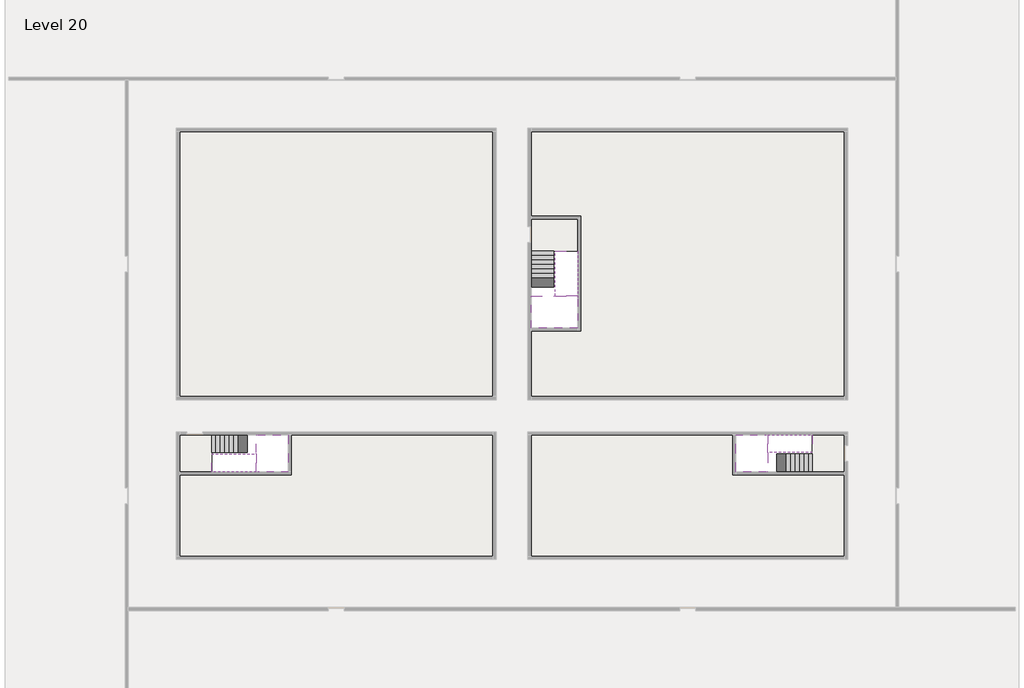
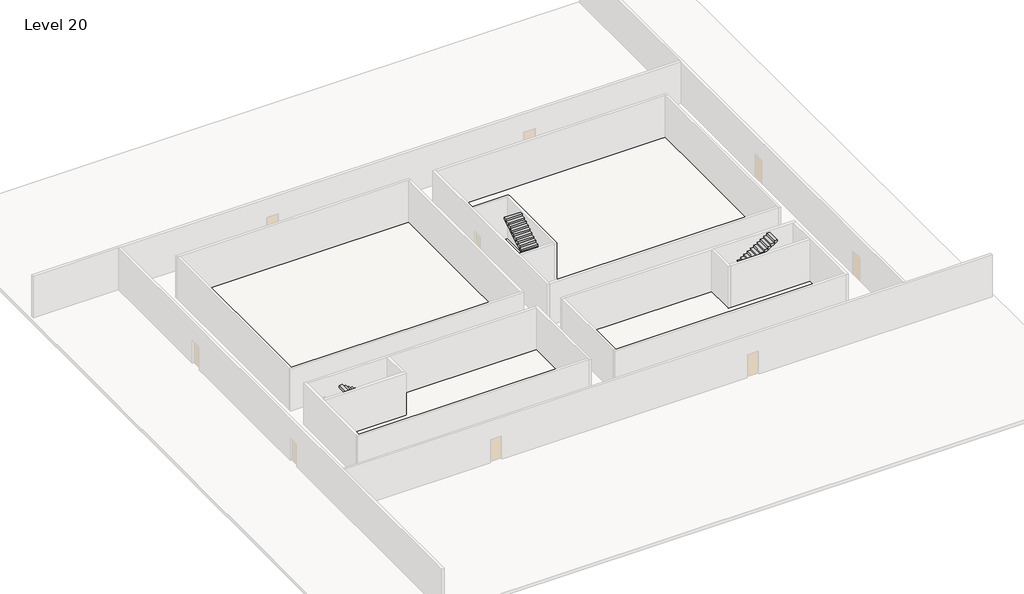
# One storey, part 2 of 2: 6 stair flights, 5 slabs.
"""IFC4 building model written with IfcOpenShell, lengths in millimetres."""

from ifc_helpers import new_model, si_unit, frame, origin, place, context, project, spatial, polyline, outline, extrude, faceted_brep, element, save

model = new_model("IFC4")

# Units and contexts
model_context = context("Model", 3, world=origin())
ifc_project = project(units=[si_unit("LENGTHUNIT", "METRE", prefix="MILLI")], contexts=[model_context])

# Site, building, storey
site = spatial("IfcSite", under=ifc_project)
building = spatial("IfcBuilding", under=site)
storey = spatial("IfcBuildingStorey", under=building, Name="Level 20", Elevation=72200.0)

# Slabs
placement = place(None, origin())
element("IfcSlab", 1, at=placement, inside=storey, context=model_context, shape_type="Brep", body=[
    faceted_brep([(8190.1058784, -42918.09644, 74100.0), (8190.1058784, -44018.09644, 74100.0), (8190.1058784, -44118.09644, 74100.0), (8190.1058784, -45218.09644, 74100.0), (8390.7194421, -45218.09644, 74100.0), (10190.1058784, -45218.09644, 74100.0), (10190.1058784, -42918.09644, 74100.0), (8269.4923146, -42918.09644, 74100.0), (8190.1058784, -42918.09644, 73927.2727273), (8190.1058784, -42918.09644, 73751.0278478), (8190.1058784, -44018.09644, 73751.0278478), (8190.1058784, -44018.09644, 73800.0), (8190.1058784, -44118.09644, 73800.0), (8190.1058784, -44118.09644, 73923.7551205), (8190.1058784, -45218.09644, 73923.7551205), (8390.7194421, -45218.09644, 73800.0), (10190.1058784, -45218.09644, 73800.0), (10190.1058784, -42918.09644, 73800.0), (8269.4923146, -42918.09644, 73800.0), (8390.7194421, -44118.09644, 73800.0), (8269.4923146, -44018.09644, 73800.0)], [[[0, 1, 2, 3, 4, 5, 6, 7]], [[1, 0, 8, 9, 10, 11]], [[2, 1, 11, 12, 13]], [[3, 2, 13, 14]], [[3, 14, 15, 16, 5, 4]], [[6, 5, 16, 17]], [[9, 8, 0, 7, 6, 17, 18]], [[19, 12, 11, 20, 18, 17, 16, 15]], [[12, 19, 13]], [[18, 20, 10, 9]], [[20, 11, 10]], [[19, 15, 14, 13]]]),
])
element("IfcSlab", 2, at=placement, inside=storey, context=model_context, shape_type="Brep", body=[
    faceted_brep([(40190.1058784, -45218.09644, 74100.0), (40190.1058784, -44118.09644, 74100.0), (40190.1058784, -44018.09644, 74100.0), (40190.1058784, -42918.09644, 74100.0), (39989.4923146, -42918.09644, 74100.0), (38190.1058784, -42918.09644, 74100.0), (38190.1058784, -45218.09644, 74100.0), (40110.7194421, -45218.09644, 74100.0), (40190.1058784, -45218.09644, 73927.2727273), (40190.1058784, -45218.09644, 73751.0278478), (40190.1058784, -44118.09644, 73751.0278478), (40190.1058784, -44118.09644, 73800.0), (40190.1058784, -44018.09644, 73800.0), (40190.1058784, -44018.09644, 73923.7551205), (40190.1058784, -42918.09644, 73923.7551205), (39989.4923146, -42918.09644, 73800.0), (38190.1058784, -42918.09644, 73800.0), (38190.1058784, -45218.09644, 73800.0), (40110.7194421, -45218.09644, 73800.0), (39989.4923146, -44018.09644, 73800.0), (40110.7194421, -44118.09644, 73800.0)], [[[0, 1, 2, 3, 4, 5, 6, 7]], [[1, 0, 8, 9, 10, 11]], [[2, 1, 11, 12, 13]], [[3, 2, 13, 14]], [[3, 14, 15, 16, 5, 4]], [[6, 5, 16, 17]], [[9, 8, 0, 7, 6, 17, 18]], [[19, 12, 11, 20, 18, 17, 16, 15]], [[12, 19, 13]], [[18, 20, 10, 9]], [[20, 11, 10]], [[19, 15, 14, 13]]]),
])
element("IfcSlab", 3, at=placement, inside=storey, context=model_context, shape_type="Brep", body=[
    faceted_brep([(26790.1058784, -34218.09644, 74100.0), (25390.1058784, -34218.09644, 74100.0), (25390.1058784, -34297.4828763, 74100.0), (25390.1058784, -36218.09644, 74100.0), (28290.1058784, -36218.09644, 74100.0), (28290.1058784, -34418.7100038, 74100.0), (28290.1058784, -34218.09644, 74100.0), (26890.1058784, -34218.09644, 74100.0), (26790.1058784, -34218.09644, 73800.0), (26790.1058784, -34218.09644, 73751.0278478), (25390.1058784, -34218.09644, 73751.0278478), (25390.1058784, -34218.09644, 73927.2727273), (25390.1058784, -34297.4828763, 73800.0), (25390.1058784, -36218.09644, 73800.0), (28290.1058784, -36218.09644, 73800.0), (28290.1058784, -34418.7100038, 73800.0), (28290.1058784, -34218.09644, 73923.7551205), (26890.1058784, -34218.09644, 73923.7551205), (26890.1058784, -34218.09644, 73800.0), (26890.1058784, -34418.7100038, 73800.0), (26790.1058784, -34297.4828763, 73800.0)], [[[0, 1, 2, 3, 4, 5, 6, 7]], [[1, 0, 8, 9, 10, 11]], [[1, 11, 10, 12, 13, 3, 2]], [[4, 3, 13, 14]], [[4, 14, 15, 16, 6, 5]], [[7, 6, 16, 17]], [[0, 7, 17, 18, 8]], [[18, 19, 15, 14, 13, 12, 20, 8]], [[19, 18, 17]], [[20, 12, 10, 9]], [[8, 20, 9]], [[15, 19, 17, 16]]]),
])
element("IfcSlab", 4, at=placement, inside=storey, context=model_context, shape_type="SweptSolid", body=[
    extrude(outline(polyline([(22990.1058784, -23918.09644), (22990.1058784, -40518.09644), (3390.1058784, -40518.09644), (3390.1058784, -23918.09644), (22990.1058784, -23918.09644)])), frame((0.0, 0.0, 71900.0), z_axis=(0.0, 0.0, 1.0), x_axis=(1.0, 0.0, 0.0)), (0.0, 0.0, 1.0), 300.0),
    extrude(outline(polyline([(44990.1058784, -23918.09644), (44990.1058784, -40518.09644), (25390.1058784, -40518.09644), (25390.1058784, -36418.09644), (28490.1058784, -36418.09644), (28490.1058784, -29218.09644), (25390.1058784, -29218.09644), (25390.1058784, -23918.09644), (44990.1058784, -23918.09644)])), frame((0.0, 0.0, 71900.0), z_axis=(0.0, 0.0, 1.0), x_axis=(1.0, 0.0, 0.0)), (0.0, 0.0, 1.0), 300.0),
    extrude(outline(polyline([(22990.1058784, -42918.09644), (22990.1058784, -50518.09644), (3390.1058784, -50518.09644), (3390.1058784, -45418.09644), (10390.1058784, -45418.09644), (10390.1058784, -42918.09644), (22990.1058784, -42918.09644)])), frame((0.0, 0.0, 71900.0), z_axis=(0.0, 0.0, 1.0), x_axis=(1.0, 0.0, 0.0)), (0.0, 0.0, 1.0), 300.0),
    extrude(outline(polyline([(37990.1058784, -42918.09644), (37990.1058784, -45418.09644), (44990.1058784, -45418.09644), (44990.1058784, -50518.09644), (25390.1058784, -50518.09644), (25390.1058784, -42918.09644), (37990.1058784, -42918.09644)])), frame((0.0, 0.0, 71900.0), z_axis=(0.0, 0.0, 1.0), x_axis=(1.0, 0.0, 0.0)), (0.0, 0.0, 1.0), 300.0),
])
element("IfcSlab", 5, at=placement, inside=storey, context=model_context, shape_type="SweptSolid", body=[
    extrude(outline(polyline([(44990.1058784, -42918.09644), (44990.1058784, -45218.09644), (42990.1058784, -45218.09644), (42990.1058784, -42918.09644), (44990.1058784, -42918.09644)])), frame((0.0, 0.0, 71900.0), z_axis=(0.0, 0.0, 1.0), x_axis=(1.0, 0.0, 0.0)), (0.0, 0.0, 1.0), 300.0),
    extrude(outline(polyline([(5390.1058784, -42918.09644), (5390.1058784, -45218.09644), (3390.1058784, -45218.09644), (3390.1058784, -42918.09644), (5390.1058784, -42918.09644)])), frame((0.0, 0.0, 71900.0), z_axis=(0.0, 0.0, 1.0), x_axis=(1.0, 0.0, 0.0)), (0.0, 0.0, 1.0), 300.0),
    extrude(outline(polyline([(28290.1058784, -29418.09644), (28290.1058784, -31418.09644), (25390.1058784, -31418.09644), (25390.1058784, -29418.09644), (28290.1058784, -29418.09644)])), frame((0.0, 0.0, 71900.0), z_axis=(0.0, 0.0, 1.0), x_axis=(1.0, 0.0, 0.0)), (0.0, 0.0, 1.0), 300.0),
])

# Stair flights
element("IfcStairFlight", 6, at=placement, inside=storey, context=model_context, shape_type="Brep", body=[
    faceted_brep([(5670.1058784, -42918.09644, 72372.7272727), (5390.1058784, -42918.09644, 72372.7272727), (5390.1058784, -44018.09644, 72372.7272727), (5670.1058784, -44018.09644, 72372.7272727), (5670.1058784, -42918.09644, 72200.0), (5390.1058784, -42918.09644, 72200.0), (5390.1058784, -44018.09644, 72200.0), (5670.1058784, -44018.09644, 72200.0), (5950.1058784, -42918.09644, 72545.4545455), (5670.1058784, -42918.09644, 72545.4545455), (5670.1058784, -44018.09644, 72545.4545455), (5950.1058784, -44018.09644, 72545.4545455), (5950.1058784, -42918.09644, 72369.209666), (5675.8081041, -42918.09644, 72200.0), (5675.8081041, -44018.09644, 72200.0), (5950.1058784, -44018.09644, 72369.209666), (6230.1058784, -42918.09644, 72718.1818182), (5950.1058784, -42918.09644, 72718.1818182), (5950.1058784, -44018.09644, 72718.1818182), (6230.1058784, -44018.09644, 72718.1818182), (6230.1058784, -42918.09644, 72541.9369387), (6230.1058784, -44018.09644, 72541.9369387), (6510.1058784, -42918.09644, 72890.9090909), (6230.1058784, -42918.09644, 72890.9090909), (6230.1058784, -44018.09644, 72890.9090909), (6510.1058784, -44018.09644, 72890.9090909), (6510.1058784, -42918.09644, 72714.6642114), (6510.1058784, -44018.09644, 72714.6642114), (6790.1058784, -42918.09644, 73063.6363636), (6510.1058784, -42918.09644, 73063.6363636), (6510.1058784, -44018.09644, 73063.6363636), (6790.1058784, -44018.09644, 73063.6363636), (6790.1058784, -42918.09644, 72887.3914841), (6790.1058784, -44018.09644, 72887.3914841), (7070.1058784, -42918.09644, 73236.3636364), (6790.1058784, -42918.09644, 73236.3636364), (6790.1058784, -44018.09644, 73236.3636364), (7070.1058784, -44018.09644, 73236.3636364), (7070.1058784, -42918.09644, 73060.1187569), (7070.1058784, -44018.09644, 73060.1187569), (7350.1058784, -42918.09644, 73409.0909091), (7070.1058784, -42918.09644, 73409.0909091), (7070.1058784, -44018.09644, 73409.0909091), (7350.1058784, -44018.09644, 73409.0909091), (7350.1058784, -42918.09644, 73232.8460296), (7350.1058784, -44018.09644, 73232.8460296), (7630.1058784, -42918.09644, 73581.8181818), (7350.1058784, -42918.09644, 73581.8181818), (7350.1058784, -44018.09644, 73581.8181818), (7630.1058784, -44018.09644, 73581.8181818), (7630.1058784, -42918.09644, 73405.5733023), (7630.1058784, -44018.09644, 73405.5733023), (7910.1058784, -42918.09644, 73754.5454545), (7630.1058784, -42918.09644, 73754.5454545), (7630.1058784, -44018.09644, 73754.5454545), (7910.1058784, -44018.09644, 73754.5454545), (7910.1058784, -42918.09644, 73578.3005751), (7910.1058784, -44018.09644, 73578.3005751), (8190.1058784, -42918.09644, 73927.2727273), (7910.1058784, -42918.09644, 73927.2727273), (7910.1058784, -44018.09644, 73927.2727273), (8190.1058784, -44018.09644, 73927.2727273), (8190.1058784, -42918.09644, 73751.0278478), (8190.1058784, -44018.09644, 73751.0278478), (8190.1058784, -44018.09644, 73800.0)], [[[0, 1, 2, 3]], [[1, 0, 4, 5]], [[2, 1, 5, 6]], [[3, 2, 6, 7]], [[8, 9, 10, 11]], [[4, 0, 9, 8, 12, 13]], [[0, 3, 10, 9]], [[3, 7, 14, 15, 11, 10]], [[16, 17, 18, 19]], [[17, 16, 20, 12, 8]], [[8, 11, 18, 17]], [[19, 18, 11, 15, 21]], [[22, 23, 24, 25]], [[23, 22, 26, 20, 16]], [[16, 19, 24, 23]], [[25, 24, 19, 21, 27]], [[28, 29, 30, 31]], [[29, 28, 32, 26, 22]], [[22, 25, 30, 29]], [[31, 30, 25, 27, 33]], [[34, 35, 36, 37]], [[35, 34, 38, 32, 28]], [[28, 31, 36, 35]], [[37, 36, 31, 33, 39]], [[40, 41, 42, 43]], [[41, 40, 44, 38, 34]], [[34, 37, 42, 41]], [[43, 42, 37, 39, 45]], [[46, 47, 48, 49]], [[47, 46, 50, 44, 40]], [[40, 43, 48, 47]], [[49, 48, 43, 45, 51]], [[52, 53, 54, 55]], [[53, 52, 56, 50, 46]], [[46, 49, 54, 53]], [[55, 54, 49, 51, 57]], [[58, 59, 60, 61]], [[59, 58, 62, 56, 52]], [[52, 55, 60, 59]], [[61, 60, 55, 57, 63, 64]], [[58, 61, 64, 63, 62]], [[5, 4, 13, 14, 7, 6]], [[14, 13, 12, 20, 26, 32, 38, 44, 50, 56, 62, 63, 57, 51, 45, 39, 33, 27, 21, 15]]]),
])
element("IfcStairFlight", 7, at=placement, inside=storey, context=model_context, shape_type="Brep", body=[
    faceted_brep([(7910.1058784, -45218.09644, 74272.7272727), (8190.1058784, -45218.09644, 74272.7272727), (8190.1058784, -44118.09644, 74272.7272727), (7910.1058784, -44118.09644, 74272.7272727), (7910.1058784, -45218.09644, 74096.4823932), (8190.1058784, -45218.09644, 73923.7551205), (8190.1058784, -45218.09644, 74100.0), (8190.1058784, -44118.09644, 73923.7551205), (7910.1058784, -44118.09644, 74096.4823932), (7630.1058784, -45218.09644, 74445.4545455), (7910.1058784, -45218.09644, 74445.4545455), (7910.1058784, -44118.09644, 74445.4545455), (7630.1058784, -44118.09644, 74445.4545455), (7630.1058784, -45218.09644, 74269.209666), (7630.1058784, -44118.09644, 74269.209666), (7350.1058784, -45218.09644, 74618.1818182), (7630.1058784, -45218.09644, 74618.1818182), (7630.1058784, -44118.09644, 74618.1818182), (7350.1058784, -44118.09644, 74618.1818182), (7350.1058784, -45218.09644, 74441.9369387), (7350.1058784, -44118.09644, 74441.9369387), (7070.1058784, -45218.09644, 74790.9090909), (7350.1058784, -45218.09644, 74790.9090909), (7350.1058784, -44118.09644, 74790.9090909), (7070.1058784, -44118.09644, 74790.9090909), (7070.1058784, -45218.09644, 74614.6642114), (7070.1058784, -44118.09644, 74614.6642114), (6790.1058784, -45218.09644, 74963.6363636), (7070.1058784, -45218.09644, 74963.6363636), (7070.1058784, -44118.09644, 74963.6363636), (6790.1058784, -44118.09644, 74963.6363636), (6790.1058784, -45218.09644, 74787.3914841), (6790.1058784, -44118.09644, 74787.3914841), (6510.1058784, -45218.09644, 75136.3636364), (6790.1058784, -45218.09644, 75136.3636364), (6790.1058784, -44118.09644, 75136.3636364), (6510.1058784, -44118.09644, 75136.3636364), (6510.1058784, -45218.09644, 74960.1187569), (6510.1058784, -44118.09644, 74960.1187569), (6230.1058784, -45218.09644, 75309.0909091), (6510.1058784, -45218.09644, 75309.0909091), (6510.1058784, -44118.09644, 75309.0909091), (6230.1058784, -44118.09644, 75309.0909091), (6230.1058784, -45218.09644, 75132.8460296), (6230.1058784, -44118.09644, 75132.8460296), (5950.1058784, -45218.09644, 75481.8181818), (6230.1058784, -45218.09644, 75481.8181818), (6230.1058784, -44118.09644, 75481.8181818), (5950.1058784, -44118.09644, 75481.8181818), (5950.1058784, -45218.09644, 75305.5733023), (5950.1058784, -44118.09644, 75305.5733023), (5670.1058784, -45218.09644, 75654.5454545), (5950.1058784, -45218.09644, 75654.5454545), (5950.1058784, -44118.09644, 75654.5454545), (5670.1058784, -44118.09644, 75654.5454545), (5670.1058784, -45218.09644, 75478.3005751), (5670.1058784, -44118.09644, 75478.3005751), (5390.1058784, -45218.09644, 75827.2727273), (5670.1058784, -45218.09644, 75827.2727273), (5670.1058784, -44118.09644, 75827.2727273), (5390.1058784, -44118.09644, 75827.2727273), (5390.1058784, -45218.09644, 75651.0278478), (5390.1058784, -44118.09644, 75651.0278478)], [[[0, 1, 2, 3]], [[1, 0, 4, 5, 6]], [[2, 1, 6, 5, 7]], [[3, 2, 7, 8]], [[9, 10, 11, 12]], [[10, 9, 13, 4, 0]], [[11, 10, 0, 3]], [[12, 11, 3, 8, 14]], [[15, 16, 17, 18]], [[16, 15, 19, 13, 9]], [[17, 16, 9, 12]], [[18, 17, 12, 14, 20]], [[21, 22, 23, 24]], [[22, 21, 25, 19, 15]], [[23, 22, 15, 18]], [[24, 23, 18, 20, 26]], [[27, 28, 29, 30]], [[28, 27, 31, 25, 21]], [[29, 28, 21, 24]], [[30, 29, 24, 26, 32]], [[33, 34, 35, 36]], [[34, 33, 37, 31, 27]], [[35, 34, 27, 30]], [[36, 35, 30, 32, 38]], [[39, 40, 41, 42]], [[40, 39, 43, 37, 33]], [[41, 40, 33, 36]], [[42, 41, 36, 38, 44]], [[45, 46, 47, 48]], [[46, 45, 49, 43, 39]], [[47, 46, 39, 42]], [[48, 47, 42, 44, 50]], [[51, 52, 53, 54]], [[52, 51, 55, 49, 45]], [[53, 52, 45, 48]], [[54, 53, 48, 50, 56]], [[57, 58, 59, 60]], [[58, 57, 61, 55, 51]], [[59, 58, 51, 54]], [[60, 59, 54, 56, 62]], [[57, 60, 62, 61]], [[5, 4, 13, 19, 25, 31, 37, 43, 49, 55, 61, 62, 56, 50, 44, 38, 32, 26, 20, 14, 8, 7]]]),
])
element("IfcStairFlight", 8, at=placement, inside=storey, context=model_context, shape_type="Brep", body=[
    faceted_brep([(42710.1058784, -45218.09644, 72372.7272727), (42990.1058784, -45218.09644, 72372.7272727), (42990.1058784, -44118.09644, 72372.7272727), (42710.1058784, -44118.09644, 72372.7272727), (42710.1058784, -45218.09644, 72200.0), (42990.1058784, -45218.09644, 72200.0), (42990.1058784, -44118.09644, 72200.0), (42710.1058784, -44118.09644, 72200.0), (42430.1058784, -45218.09644, 72545.4545455), (42710.1058784, -45218.09644, 72545.4545455), (42710.1058784, -44118.09644, 72545.4545455), (42430.1058784, -44118.09644, 72545.4545455), (42430.1058784, -45218.09644, 72369.209666), (42704.4036527, -45218.09644, 72200.0), (42704.4036527, -44118.09644, 72200.0), (42430.1058784, -44118.09644, 72369.209666), (42150.1058784, -45218.09644, 72718.1818182), (42430.1058784, -45218.09644, 72718.1818182), (42430.1058784, -44118.09644, 72718.1818182), (42150.1058784, -44118.09644, 72718.1818182), (42150.1058784, -45218.09644, 72541.9369387), (42150.1058784, -44118.09644, 72541.9369387), (41870.1058784, -45218.09644, 72890.9090909), (42150.1058784, -45218.09644, 72890.9090909), (42150.1058784, -44118.09644, 72890.9090909), (41870.1058784, -44118.09644, 72890.9090909), (41870.1058784, -45218.09644, 72714.6642114), (41870.1058784, -44118.09644, 72714.6642114), (41590.1058784, -45218.09644, 73063.6363636), (41870.1058784, -45218.09644, 73063.6363636), (41870.1058784, -44118.09644, 73063.6363636), (41590.1058784, -44118.09644, 73063.6363636), (41590.1058784, -45218.09644, 72887.3914841), (41590.1058784, -44118.09644, 72887.3914841), (41310.1058784, -45218.09644, 73236.3636364), (41590.1058784, -45218.09644, 73236.3636364), (41590.1058784, -44118.09644, 73236.3636364), (41310.1058784, -44118.09644, 73236.3636364), (41310.1058784, -45218.09644, 73060.1187569), (41310.1058784, -44118.09644, 73060.1187569), (41030.1058784, -45218.09644, 73409.0909091), (41310.1058784, -45218.09644, 73409.0909091), (41310.1058784, -44118.09644, 73409.0909091), (41030.1058784, -44118.09644, 73409.0909091), (41030.1058784, -45218.09644, 73232.8460296), (41030.1058784, -44118.09644, 73232.8460296), (40750.1058784, -45218.09644, 73581.8181818), (41030.1058784, -45218.09644, 73581.8181818), (41030.1058784, -44118.09644, 73581.8181818), (40750.1058784, -44118.09644, 73581.8181818), (40750.1058784, -45218.09644, 73405.5733023), (40750.1058784, -44118.09644, 73405.5733023), (40470.1058784, -45218.09644, 73754.5454545), (40750.1058784, -45218.09644, 73754.5454545), (40750.1058784, -44118.09644, 73754.5454545), (40470.1058784, -44118.09644, 73754.5454545), (40470.1058784, -45218.09644, 73578.3005751), (40470.1058784, -44118.09644, 73578.3005751), (40190.1058784, -45218.09644, 73927.2727273), (40470.1058784, -45218.09644, 73927.2727273), (40470.1058784, -44118.09644, 73927.2727273), (40190.1058784, -44118.09644, 73927.2727273), (40190.1058784, -45218.09644, 73751.0278478), (40190.1058784, -44118.09644, 73751.0278478), (40190.1058784, -44118.09644, 73800.0)], [[[0, 1, 2, 3]], [[1, 0, 4, 5]], [[2, 1, 5, 6]], [[3, 2, 6, 7]], [[8, 9, 10, 11]], [[4, 0, 9, 8, 12, 13]], [[0, 3, 10, 9]], [[3, 7, 14, 15, 11, 10]], [[16, 17, 18, 19]], [[17, 16, 20, 12, 8]], [[8, 11, 18, 17]], [[19, 18, 11, 15, 21]], [[22, 23, 24, 25]], [[23, 22, 26, 20, 16]], [[16, 19, 24, 23]], [[25, 24, 19, 21, 27]], [[28, 29, 30, 31]], [[29, 28, 32, 26, 22]], [[22, 25, 30, 29]], [[31, 30, 25, 27, 33]], [[34, 35, 36, 37]], [[35, 34, 38, 32, 28]], [[28, 31, 36, 35]], [[37, 36, 31, 33, 39]], [[40, 41, 42, 43]], [[41, 40, 44, 38, 34]], [[34, 37, 42, 41]], [[43, 42, 37, 39, 45]], [[46, 47, 48, 49]], [[47, 46, 50, 44, 40]], [[40, 43, 48, 47]], [[49, 48, 43, 45, 51]], [[52, 53, 54, 55]], [[53, 52, 56, 50, 46]], [[46, 49, 54, 53]], [[55, 54, 49, 51, 57]], [[58, 59, 60, 61]], [[59, 58, 62, 56, 52]], [[52, 55, 60, 59]], [[61, 60, 55, 57, 63, 64]], [[58, 61, 64, 63, 62]], [[5, 4, 13, 14, 7, 6]], [[14, 13, 12, 20, 26, 32, 38, 44, 50, 56, 62, 63, 57, 51, 45, 39, 33, 27, 21, 15]]]),
])
element("IfcStairFlight", 9, at=placement, inside=storey, context=model_context, shape_type="Brep", body=[
    faceted_brep([(40470.1058784, -42918.09644, 74272.7272727), (40190.1058784, -42918.09644, 74272.7272727), (40190.1058784, -44018.09644, 74272.7272727), (40470.1058784, -44018.09644, 74272.7272727), (40470.1058784, -42918.09644, 74096.4823932), (40190.1058784, -42918.09644, 73923.7551205), (40190.1058784, -42918.09644, 74100.0), (40190.1058784, -44018.09644, 73923.7551205), (40470.1058784, -44018.09644, 74096.4823932), (40750.1058784, -42918.09644, 74445.4545455), (40470.1058784, -42918.09644, 74445.4545455), (40470.1058784, -44018.09644, 74445.4545455), (40750.1058784, -44018.09644, 74445.4545455), (40750.1058784, -42918.09644, 74269.209666), (40750.1058784, -44018.09644, 74269.209666), (41030.1058784, -42918.09644, 74618.1818182), (40750.1058784, -42918.09644, 74618.1818182), (40750.1058784, -44018.09644, 74618.1818182), (41030.1058784, -44018.09644, 74618.1818182), (41030.1058784, -42918.09644, 74441.9369387), (41030.1058784, -44018.09644, 74441.9369387), (41310.1058784, -42918.09644, 74790.9090909), (41030.1058784, -42918.09644, 74790.9090909), (41030.1058784, -44018.09644, 74790.9090909), (41310.1058784, -44018.09644, 74790.9090909), (41310.1058784, -42918.09644, 74614.6642114), (41310.1058784, -44018.09644, 74614.6642114), (41590.1058784, -42918.09644, 74963.6363636), (41310.1058784, -42918.09644, 74963.6363636), (41310.1058784, -44018.09644, 74963.6363636), (41590.1058784, -44018.09644, 74963.6363636), (41590.1058784, -42918.09644, 74787.3914841), (41590.1058784, -44018.09644, 74787.3914841), (41870.1058784, -42918.09644, 75136.3636364), (41590.1058784, -42918.09644, 75136.3636364), (41590.1058784, -44018.09644, 75136.3636364), (41870.1058784, -44018.09644, 75136.3636364), (41870.1058784, -42918.09644, 74960.1187569), (41870.1058784, -44018.09644, 74960.1187569), (42150.1058784, -42918.09644, 75309.0909091), (41870.1058784, -42918.09644, 75309.0909091), (41870.1058784, -44018.09644, 75309.0909091), (42150.1058784, -44018.09644, 75309.0909091), (42150.1058784, -42918.09644, 75132.8460296), (42150.1058784, -44018.09644, 75132.8460296), (42430.1058784, -42918.09644, 75481.8181818), (42150.1058784, -42918.09644, 75481.8181818), (42150.1058784, -44018.09644, 75481.8181818), (42430.1058784, -44018.09644, 75481.8181818), (42430.1058784, -42918.09644, 75305.5733023), (42430.1058784, -44018.09644, 75305.5733023), (42710.1058784, -42918.09644, 75654.5454545), (42430.1058784, -42918.09644, 75654.5454545), (42430.1058784, -44018.09644, 75654.5454545), (42710.1058784, -44018.09644, 75654.5454545), (42710.1058784, -42918.09644, 75478.3005751), (42710.1058784, -44018.09644, 75478.3005751), (42990.1058784, -42918.09644, 75827.2727273), (42710.1058784, -42918.09644, 75827.2727273), (42710.1058784, -44018.09644, 75827.2727273), (42990.1058784, -44018.09644, 75827.2727273), (42990.1058784, -42918.09644, 75651.0278478), (42990.1058784, -44018.09644, 75651.0278478)], [[[0, 1, 2, 3]], [[1, 0, 4, 5, 6]], [[2, 1, 6, 5, 7]], [[3, 2, 7, 8]], [[9, 10, 11, 12]], [[10, 9, 13, 4, 0]], [[11, 10, 0, 3]], [[12, 11, 3, 8, 14]], [[15, 16, 17, 18]], [[16, 15, 19, 13, 9]], [[17, 16, 9, 12]], [[18, 17, 12, 14, 20]], [[21, 22, 23, 24]], [[22, 21, 25, 19, 15]], [[23, 22, 15, 18]], [[24, 23, 18, 20, 26]], [[27, 28, 29, 30]], [[28, 27, 31, 25, 21]], [[29, 28, 21, 24]], [[30, 29, 24, 26, 32]], [[33, 34, 35, 36]], [[34, 33, 37, 31, 27]], [[35, 34, 27, 30]], [[36, 35, 30, 32, 38]], [[39, 40, 41, 42]], [[40, 39, 43, 37, 33]], [[41, 40, 33, 36]], [[42, 41, 36, 38, 44]], [[45, 46, 47, 48]], [[46, 45, 49, 43, 39]], [[47, 46, 39, 42]], [[48, 47, 42, 44, 50]], [[51, 52, 53, 54]], [[52, 51, 55, 49, 45]], [[53, 52, 45, 48]], [[54, 53, 48, 50, 56]], [[57, 58, 59, 60]], [[58, 57, 61, 55, 51]], [[59, 58, 51, 54]], [[60, 59, 54, 56, 62]], [[57, 60, 62, 61]], [[5, 4, 13, 19, 25, 31, 37, 43, 49, 55, 61, 62, 56, 50, 44, 38, 32, 26, 20, 14, 8, 7]]]),
])
element("IfcStairFlight", 10, at=placement, inside=storey, context=model_context, shape_type="Brep", body=[
    faceted_brep([(26790.1058784, -31698.09644, 72372.7272727), (26790.1058784, -31418.09644, 72372.7272727), (25390.1058784, -31418.09644, 72372.7272727), (25390.1058784, -31698.09644, 72372.7272727), (26790.1058784, -31698.09644, 72200.0), (26790.1058784, -31418.09644, 72200.0), (25390.1058784, -31418.09644, 72200.0), (25390.1058784, -31698.09644, 72200.0), (26790.1058784, -31978.09644, 72545.4545455), (26790.1058784, -31698.09644, 72545.4545455), (25390.1058784, -31698.09644, 72545.4545455), (25390.1058784, -31978.09644, 72545.4545455), (26790.1058784, -31978.09644, 72369.209666), (26790.1058784, -31703.7986657, 72200.0), (25390.1058784, -31703.7986657, 72200.0), (25390.1058784, -31978.09644, 72369.209666), (26790.1058784, -32258.09644, 72718.1818182), (26790.1058784, -31978.09644, 72718.1818182), (25390.1058784, -31978.09644, 72718.1818182), (25390.1058784, -32258.09644, 72718.1818182), (26790.1058784, -32258.09644, 72541.9369387), (25390.1058784, -32258.09644, 72541.9369387), (26790.1058784, -32538.09644, 72890.9090909), (26790.1058784, -32258.09644, 72890.9090909), (25390.1058784, -32258.09644, 72890.9090909), (25390.1058784, -32538.09644, 72890.9090909), (26790.1058784, -32538.09644, 72714.6642114), (25390.1058784, -32538.09644, 72714.6642114), (26790.1058784, -32818.09644, 73063.6363636), (26790.1058784, -32538.09644, 73063.6363636), (25390.1058784, -32538.09644, 73063.6363636), (25390.1058784, -32818.09644, 73063.6363636), (26790.1058784, -32818.09644, 72887.3914841), (25390.1058784, -32818.09644, 72887.3914841), (26790.1058784, -33098.09644, 73236.3636364), (26790.1058784, -32818.09644, 73236.3636364), (25390.1058784, -32818.09644, 73236.3636364), (25390.1058784, -33098.09644, 73236.3636364), (26790.1058784, -33098.09644, 73060.1187569), (25390.1058784, -33098.09644, 73060.1187569), (26790.1058784, -33378.09644, 73409.0909091), (26790.1058784, -33098.09644, 73409.0909091), (25390.1058784, -33098.09644, 73409.0909091), (25390.1058784, -33378.09644, 73409.0909091), (26790.1058784, -33378.09644, 73232.8460296), (25390.1058784, -33378.09644, 73232.8460296), (26790.1058784, -33658.09644, 73581.8181818), (26790.1058784, -33378.09644, 73581.8181818), (25390.1058784, -33378.09644, 73581.8181818), (25390.1058784, -33658.09644, 73581.8181818), (26790.1058784, -33658.09644, 73405.5733023), (25390.1058784, -33658.09644, 73405.5733023), (26790.1058784, -33938.09644, 73754.5454545), (26790.1058784, -33658.09644, 73754.5454545), (25390.1058784, -33658.09644, 73754.5454545), (25390.1058784, -33938.09644, 73754.5454545), (26790.1058784, -33938.09644, 73578.3005751), (25390.1058784, -33938.09644, 73578.3005751), (26790.1058784, -34218.09644, 73927.2727273), (26790.1058784, -33938.09644, 73927.2727273), (25390.1058784, -33938.09644, 73927.2727273), (25390.1058784, -34218.09644, 73927.2727273), (26790.1058784, -34218.09644, 73800.0), (26790.1058784, -34218.09644, 73751.0278478), (25390.1058784, -34218.09644, 73751.0278478)], [[[0, 1, 2, 3]], [[1, 0, 4, 5]], [[2, 1, 5, 6]], [[3, 2, 6, 7]], [[8, 9, 10, 11]], [[4, 0, 9, 8, 12, 13]], [[0, 3, 10, 9]], [[3, 7, 14, 15, 11, 10]], [[16, 17, 18, 19]], [[17, 16, 20, 12, 8]], [[8, 11, 18, 17]], [[19, 18, 11, 15, 21]], [[22, 23, 24, 25]], [[23, 22, 26, 20, 16]], [[16, 19, 24, 23]], [[25, 24, 19, 21, 27]], [[28, 29, 30, 31]], [[29, 28, 32, 26, 22]], [[22, 25, 30, 29]], [[31, 30, 25, 27, 33]], [[34, 35, 36, 37]], [[35, 34, 38, 32, 28]], [[28, 31, 36, 35]], [[37, 36, 31, 33, 39]], [[40, 41, 42, 43]], [[41, 40, 44, 38, 34]], [[34, 37, 42, 41]], [[43, 42, 37, 39, 45]], [[46, 47, 48, 49]], [[47, 46, 50, 44, 40]], [[40, 43, 48, 47]], [[49, 48, 43, 45, 51]], [[52, 53, 54, 55]], [[53, 52, 56, 50, 46]], [[46, 49, 54, 53]], [[55, 54, 49, 51, 57]], [[58, 59, 60, 61]], [[59, 58, 62, 63, 56, 52]], [[52, 55, 60, 59]], [[61, 60, 55, 57, 64]], [[58, 61, 64, 63, 62]], [[5, 4, 13, 14, 7, 6]], [[14, 13, 12, 20, 26, 32, 38, 44, 50, 56, 63, 64, 57, 51, 45, 39, 33, 27, 21, 15]]]),
])
element("IfcStairFlight", 11, at=placement, inside=storey, context=model_context, shape_type="Brep", body=[
    faceted_brep([(26890.1058784, -33938.09644, 74272.7272727), (26890.1058784, -34218.09644, 74272.7272727), (28290.1058784, -34218.09644, 74272.7272727), (28290.1058784, -33938.09644, 74272.7272727), (26890.1058784, -33938.09644, 74096.4823932), (26890.1058784, -34218.09644, 73923.7551205), (28290.1058784, -34218.09644, 73923.7551205), (28290.1058784, -34218.09644, 74100.0), (28290.1058784, -33938.09644, 74096.4823932), (26890.1058784, -33658.09644, 74445.4545455), (26890.1058784, -33938.09644, 74445.4545455), (28290.1058784, -33938.09644, 74445.4545455), (28290.1058784, -33658.09644, 74445.4545455), (26890.1058784, -33658.09644, 74269.209666), (28290.1058784, -33658.09644, 74269.209666), (26890.1058784, -33378.09644, 74618.1818182), (26890.1058784, -33658.09644, 74618.1818182), (28290.1058784, -33658.09644, 74618.1818182), (28290.1058784, -33378.09644, 74618.1818182), (26890.1058784, -33378.09644, 74441.9369387), (28290.1058784, -33378.09644, 74441.9369387), (26890.1058784, -33098.09644, 74790.9090909), (26890.1058784, -33378.09644, 74790.9090909), (28290.1058784, -33378.09644, 74790.9090909), (28290.1058784, -33098.09644, 74790.9090909), (26890.1058784, -33098.09644, 74614.6642114), (28290.1058784, -33098.09644, 74614.6642114), (26890.1058784, -32818.09644, 74963.6363636), (26890.1058784, -33098.09644, 74963.6363636), (28290.1058784, -33098.09644, 74963.6363636), (28290.1058784, -32818.09644, 74963.6363636), (26890.1058784, -32818.09644, 74787.3914841), (28290.1058784, -32818.09644, 74787.3914841), (26890.1058784, -32538.09644, 75136.3636364), (26890.1058784, -32818.09644, 75136.3636364), (28290.1058784, -32818.09644, 75136.3636364), (28290.1058784, -32538.09644, 75136.3636364), (26890.1058784, -32538.09644, 74960.1187569), (28290.1058784, -32538.09644, 74960.1187569), (26890.1058784, -32258.09644, 75309.0909091), (26890.1058784, -32538.09644, 75309.0909091), (28290.1058784, -32538.09644, 75309.0909091), (28290.1058784, -32258.09644, 75309.0909091), (26890.1058784, -32258.09644, 75132.8460296), (28290.1058784, -32258.09644, 75132.8460296), (26890.1058784, -31978.09644, 75481.8181818), (26890.1058784, -32258.09644, 75481.8181818), (28290.1058784, -32258.09644, 75481.8181818), (28290.1058784, -31978.09644, 75481.8181818), (26890.1058784, -31978.09644, 75305.5733023), (28290.1058784, -31978.09644, 75305.5733023), (26890.1058784, -31698.09644, 75654.5454545), (26890.1058784, -31978.09644, 75654.5454545), (28290.1058784, -31978.09644, 75654.5454545), (28290.1058784, -31698.09644, 75654.5454545), (26890.1058784, -31698.09644, 75478.3005751), (28290.1058784, -31698.09644, 75478.3005751), (26890.1058784, -31418.09644, 75827.2727273), (26890.1058784, -31698.09644, 75827.2727273), (28290.1058784, -31698.09644, 75827.2727273), (28290.1058784, -31418.09644, 75827.2727273), (26890.1058784, -31418.09644, 75651.0278478), (28290.1058784, -31418.09644, 75651.0278478)], [[[0, 1, 2, 3]], [[1, 0, 4, 5]], [[2, 1, 5, 6, 7]], [[3, 2, 7, 6, 8]], [[9, 10, 11, 12]], [[10, 9, 13, 4, 0]], [[11, 10, 0, 3]], [[12, 11, 3, 8, 14]], [[15, 16, 17, 18]], [[16, 15, 19, 13, 9]], [[17, 16, 9, 12]], [[18, 17, 12, 14, 20]], [[21, 22, 23, 24]], [[22, 21, 25, 19, 15]], [[23, 22, 15, 18]], [[24, 23, 18, 20, 26]], [[27, 28, 29, 30]], [[28, 27, 31, 25, 21]], [[29, 28, 21, 24]], [[30, 29, 24, 26, 32]], [[33, 34, 35, 36]], [[34, 33, 37, 31, 27]], [[35, 34, 27, 30]], [[36, 35, 30, 32, 38]], [[39, 40, 41, 42]], [[40, 39, 43, 37, 33]], [[41, 40, 33, 36]], [[42, 41, 36, 38, 44]], [[45, 46, 47, 48]], [[46, 45, 49, 43, 39]], [[47, 46, 39, 42]], [[48, 47, 42, 44, 50]], [[51, 52, 53, 54]], [[52, 51, 55, 49, 45]], [[53, 52, 45, 48]], [[54, 53, 48, 50, 56]], [[57, 58, 59, 60]], [[58, 57, 61, 55, 51]], [[59, 58, 51, 54]], [[60, 59, 54, 56, 62]], [[57, 60, 62, 61]], [[5, 4, 13, 19, 25, 31, 37, 43, 49, 55, 61, 62, 56, 50, 44, 38, 32, 26, 20, 14, 8, 6]]]),
])

save(model, "model.ifc")
